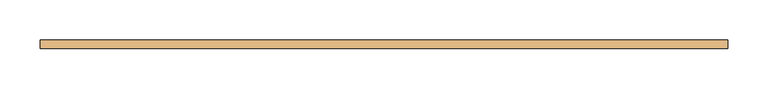
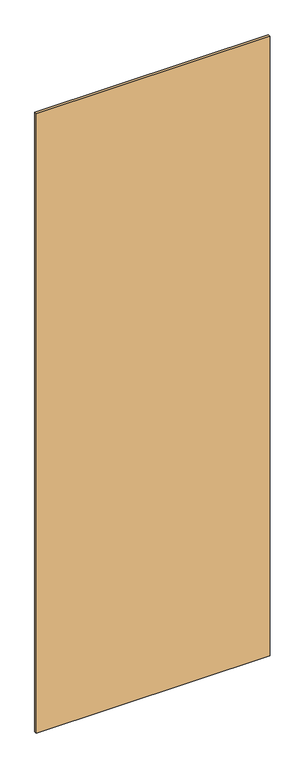
"""IFC4 building model written with IfcOpenShell, lengths in millimetres: door geometry."""

from ifc_helpers import new_model, si_unit, frame, origin, place, context, project, spatial, polyline, outline, extrude, source, transform, mapped, element, save


def door_e3062ae6(model_context):
    return source(origin(), model_context, "Body", "SweptSolid", [
        extrude(outline(polyline([(425.0378612, 5.0), (425.0378612, -5.0), (-425.0378612, -5.0), (-425.0378612, 5.0), (425.0378612, 5.0)])), frame((0.0, 0.0, 1.5559478), z_axis=(0.0, 0.0, 1.0), x_axis=(1.0, 0.0, 0.0)), (0.0, 0.0, 1.0), 2378.8692245),
    ])


if __name__ == "__main__":
    model = new_model("IFC4")
    model_context = context("Model", 3, world=origin())
    ifc_project = project(units=[si_unit("LENGTHUNIT", "METRE", prefix="MILLI")], contexts=[model_context])
    site = spatial("IfcSite", under=ifc_project)
    building = spatial("IfcBuilding", under=site)
    placement = place(None, origin())
    door_shape = door_e3062ae6(model_context)
    element("IfcDoor", 1, at=placement, inside=building, context=model_context, shape_type="MappedRepresentation", body=[
        mapped(door_shape, transform((0.0, 0.0, 0.0), x_axis=(1.0, 0.0, 0.0), y_axis=(0.0, 1.0, 0.0), z_axis=(0.0, 0.0, 1.0))),
    ])
    save(model, "model.ifc")
